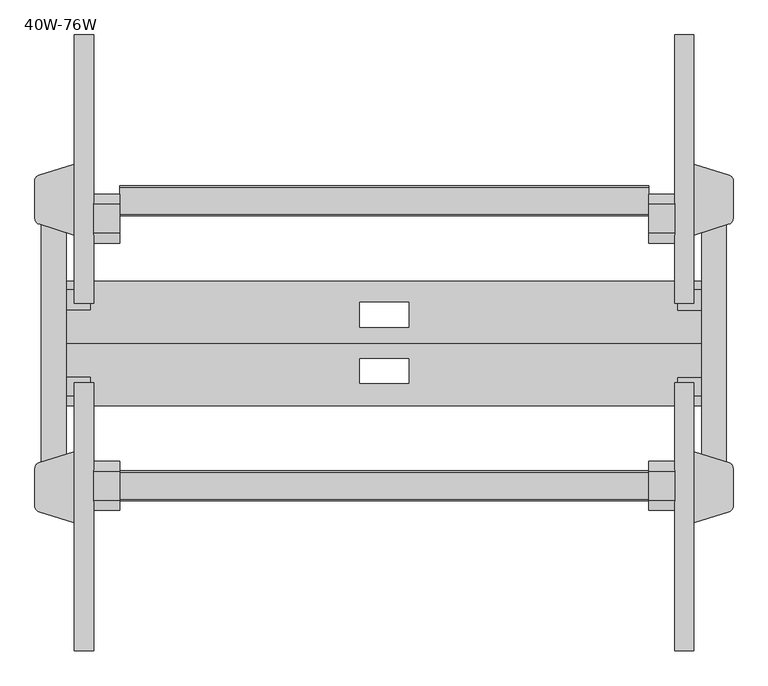
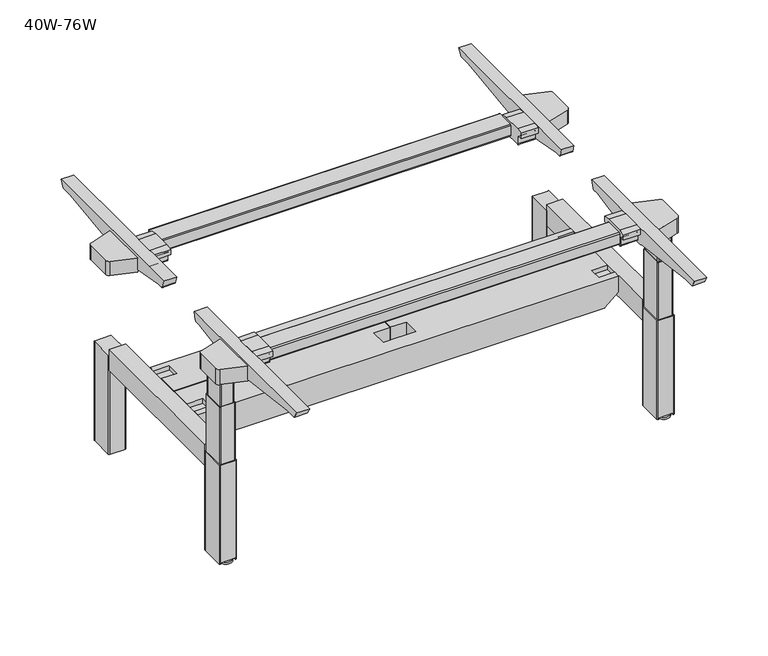
"""IFC4 building model written with IfcOpenShell, lengths in millimetres: furniture geometry, 40W-76W."""

from ifc_helpers import new_model, si_unit, point, frame, frame_2d, origin, origin_with_axes, place, context, project, spatial, polyline, circle_curve, trimmed, segment, composite_curve, outline, extrude, faceted_brep, source, transform, mapped, element, save
from ifc_brep_helpers import plane_surface, cylinder_surface, advanced_brep


def furniture_40w_76w_3b3c1435(model_context):
    return source(origin(), model_context, "Body", "SolidModel", [
        extrude(outline(composite_curve([segment(polyline([(-1035.3846632, 713.5171551), (-1049.9171212, 713.5171551)]), True, "CONTINUOUS"), segment(trimmed(circle_curve(frame_2d((-1049.9171212, 710.9436804)), 2.5734747), [point((-1049.9171212, 713.5171551))], [point((-1052.4905959, 710.9436804))], True, "CARTESIAN"), True, "CONTINUOUS"), segment(polyline([(-1052.4905959, 710.9436804), (-1052.4905959, 684.4605175)]), True, "CONTINUOUS"), segment(trimmed(circle_curve(frame_2d((-1057.5452725, 684.4605175)), 5.0546767), [point((-1052.4905959, 684.4605175))], [point((-1057.5452725, 679.4058409))], False, "CARTESIAN"), True, "CONTINUOUS"), segment(polyline([(-1057.5452725, 679.4058409), (-1126.3738616, 679.4058409)]), True, "CONTINUOUS"), segment(trimmed(circle_curve(frame_2d((-1126.3738616, 684.2898603)), 4.8840194), [point((-1126.3738616, 679.4058409))], [point((-1131.257881, 684.2898603))], False, "CARTESIAN"), True, "CONTINUOUS"), segment(polyline([(-1131.257881, 684.2898603), (-1131.257881, 710.1779551)]), True, "CONTINUOUS"), segment(trimmed(circle_curve(frame_2d((-1134.4068211, 710.1779551)), 3.1489401), [point((-1131.257881, 710.1779551))], [point((-1134.4068211, 713.3268952))], True, "CARTESIAN"), True, "CONTINUOUS"), segment(polyline([(-1134.4068211, 713.3268952), (-1148.7657722, 713.3268952), (-1148.7657722, 733.2799481), (-1125.1423758, 736.6), (-1058.4320212, 736.6), (-1035.3846632, 733.3609051), (-1035.3846632, 713.5171551)]), True, "CONTINUOUS")], self_intersect=False)), frame((1425.9160645, 0.0, 0.0), z_axis=(1.0, 0.0, 0.0), x_axis=(0.0, 1.0, 0.0)), (0.0, 0.0, 1.0), 59.9963379),
        extrude(outline(composite_curve([segment(polyline([(-1035.3846632, 713.5171551), (-1049.9171212, 713.5171551)]), True, "CONTINUOUS"), segment(trimmed(circle_curve(frame_2d((-1049.9171212, 710.9436804)), 2.5734747), [point((-1049.9171212, 713.5171551))], [point((-1052.4905959, 710.9436804))], True, "CARTESIAN"), True, "CONTINUOUS"), segment(polyline([(-1052.4905959, 710.9436804), (-1052.4905959, 684.4605175)]), True, "CONTINUOUS"), segment(trimmed(circle_curve(frame_2d((-1057.5452725, 684.4605175)), 5.0546767), [point((-1052.4905959, 684.4605175))], [point((-1057.5452725, 679.4058409))], False, "CARTESIAN"), True, "CONTINUOUS"), segment(polyline([(-1057.5452725, 679.4058409), (-1126.3738616, 679.4058409)]), True, "CONTINUOUS"), segment(trimmed(circle_curve(frame_2d((-1126.3738616, 684.2898603)), 4.8840194), [point((-1126.3738616, 679.4058409))], [point((-1131.257881, 684.2898603))], False, "CARTESIAN"), True, "CONTINUOUS"), segment(polyline([(-1131.257881, 684.2898603), (-1131.257881, 710.1779551)]), True, "CONTINUOUS"), segment(trimmed(circle_curve(frame_2d((-1134.4068211, 710.1779551)), 3.1489401), [point((-1131.257881, 710.1779551))], [point((-1134.4068211, 713.3268952))], True, "CARTESIAN"), True, "CONTINUOUS"), segment(polyline([(-1134.4068211, 713.3268952), (-1148.7657722, 713.3268952), (-1148.7657722, 733.2799481), (-1125.1423758, 736.6), (-1058.4320212, 736.6), (-1035.3846632, 733.3609051), (-1035.3846632, 713.5171551)]), True, "CONTINUOUS")], self_intersect=False)), frame((140.8224121, 0.0, 0.0), z_axis=(1.0, 0.0, 0.0), x_axis=(0.0, 1.0, 0.0)), (0.0, 0.0, 1.0), 59.4847412),
        extrude(outline(composite_curve([segment(polyline([(-1474.032802, 736.6), (-853.1729918, 736.6), (-861.1988917, 709.9209639)]), True, "CONTINUOUS"), segment(trimmed(circle_curve(frame_2d((-866.3572818, 711.4727712)), 5.3867517), [point((-861.1988917, 709.9209639))], [point((-866.3572818, 706.0860195))], False, "CARTESIAN"), True, "CONTINUOUS"), segment(polyline([(-866.3572818, 706.0860195), (-885.1150008, 706.0860195), (-1037.8717935, 678.1707903), (-1041.9330724, 675.3270521), (-1147.7156054, 675.3270521), (-1152.030531, 678.3483956), (-1417.6765176, 712.4942039), (-1460.2345006, 712.4942039), (-1474.032802, 736.6)]), True, "CONTINUOUS")], self_intersect=False)), frame((1485.9124023, 0.0, 0.0), z_axis=(1.0, 0.0, 0.0), x_axis=(0.0, 1.0, 0.0)), (0.0, 0.0, 1.0), 43.8949951),
        extrude(outline(composite_curve([segment(polyline([(-1474.032802, 736.6), (-853.1729918, 736.6), (-861.1988917, 709.9209639)]), True, "CONTINUOUS"), segment(trimmed(circle_curve(frame_2d((-866.3572818, 711.4727712)), 5.3867517), [point((-861.1988917, 709.9209639))], [point((-866.3572818, 706.0860195))], False, "CARTESIAN"), True, "CONTINUOUS"), segment(polyline([(-866.3572818, 706.0860195), (-885.1150008, 706.0860195), (-1037.8717935, 678.1707903), (-1041.9330724, 675.3270521), (-1147.7156054, 675.3270521), (-1152.030531, 678.3483956), (-1417.6765176, 712.4942039), (-1460.2345006, 712.4942039), (-1474.032802, 736.6)]), True, "CONTINUOUS")], self_intersect=False)), frame((95.7926025, 0.0, 0.0), z_axis=(1.0, 0.0, 0.0), x_axis=(0.0, 1.0, 0.0)), (0.0, 0.0, 1.0), 45.0298096),
        extrude(outline(composite_curve([segment(polyline([(-530.2483559, 713.5171551), (-530.2483559, 733.3609051), (-507.4669954, 736.5626165), (-440.2246459, 736.5626165), (-416.8672469, 733.2799481), (-416.8672469, 713.3268952), (-431.2261981, 713.3268952)]), True, "CONTINUOUS"), segment(trimmed(circle_curve(frame_2d((-431.2261981, 710.1779551)), 3.1489401), [point((-431.2261981, 713.3268952))], [point((-434.3751381, 710.1779551))], True, "CARTESIAN"), True, "CONTINUOUS"), segment(polyline([(-434.3751381, 710.1779551), (-434.3751381, 684.2898603)]), True, "CONTINUOUS"), segment(trimmed(circle_curve(frame_2d((-439.2591576, 684.2898603)), 4.8840194), [point((-434.3751381, 684.2898603))], [point((-439.2591576, 679.4058409))], False, "CARTESIAN"), True, "CONTINUOUS"), segment(polyline([(-439.2591576, 679.4058409), (-508.0877466, 679.4058409)]), True, "CONTINUOUS"), segment(trimmed(circle_curve(frame_2d((-508.0877466, 684.4605175)), 5.0546767), [point((-508.0877466, 679.4058409))], [point((-513.1424233, 684.4605175))], False, "CARTESIAN"), True, "CONTINUOUS"), segment(polyline([(-513.1424233, 684.4605175), (-513.1424233, 710.9436804)]), True, "CONTINUOUS"), segment(trimmed(circle_curve(frame_2d((-515.7158979, 710.9436804)), 2.5734747), [point((-513.1424233, 710.9436804))], [point((-515.7158979, 713.5171551))], True, "CARTESIAN"), True, "CONTINUOUS"), segment(polyline([(-515.7158979, 713.5171551), (-530.2483559, 713.5171551)]), True, "CONTINUOUS")], self_intersect=False)), frame((1425.9160645, 0.0, 0.0), z_axis=(1.0, 0.0, 0.0), x_axis=(0.0, 1.0, 0.0)), (0.0, 0.0, 1.0), 59.9963379),
        extrude(outline(composite_curve([segment(polyline([(-47.59531, 736.6), (-61.3936114, 712.4942039), (-103.9515944, 712.4942039), (-369.597581, 678.3483956), (-373.9125066, 675.3270521), (-479.6950396, 675.3270521), (-483.7563185, 678.1707903), (-636.8228784, 706.0860195), (-655.5805974, 706.0860195)]), True, "CONTINUOUS"), segment(trimmed(circle_curve(frame_2d((-655.5805974, 711.4727712)), 5.3867517), [point((-655.5805974, 706.0860195))], [point((-660.7389875, 709.9209639))], False, "CARTESIAN"), True, "CONTINUOUS"), segment(polyline([(-660.7389875, 709.9209639), (-668.7648874, 736.6), (-47.59531, 736.6)]), True, "CONTINUOUS")], self_intersect=False)), frame((1485.9124023, 0.0, 0.0), z_axis=(1.0, 0.0, 0.0), x_axis=(0.0, 1.0, 0.0)), (0.0, 0.0, 1.0), 43.8949951),
        extrude(outline(composite_curve([segment(polyline([(-530.2483559, 713.5171551), (-530.2483559, 733.3609051), (-507.4669954, 736.5626165), (-440.2246459, 736.5626165), (-416.8672469, 733.2799481), (-416.8672469, 713.3268952), (-431.2261981, 713.3268952)]), True, "CONTINUOUS"), segment(trimmed(circle_curve(frame_2d((-431.2261981, 710.1779551)), 3.1489401), [point((-431.2261981, 713.3268952))], [point((-434.3751381, 710.1779551))], True, "CARTESIAN"), True, "CONTINUOUS"), segment(polyline([(-434.3751381, 710.1779551), (-434.3751381, 684.2898603)]), True, "CONTINUOUS"), segment(trimmed(circle_curve(frame_2d((-439.2591576, 684.2898603)), 4.8840194), [point((-434.3751381, 684.2898603))], [point((-439.2591576, 679.4058409))], False, "CARTESIAN"), True, "CONTINUOUS"), segment(polyline([(-439.2591576, 679.4058409), (-508.0877466, 679.4058409)]), True, "CONTINUOUS"), segment(trimmed(circle_curve(frame_2d((-508.0877466, 684.4605175)), 5.0546767), [point((-508.0877466, 679.4058409))], [point((-513.1424233, 684.4605175))], False, "CARTESIAN"), True, "CONTINUOUS"), segment(polyline([(-513.1424233, 684.4605175), (-513.1424233, 710.9436804)]), True, "CONTINUOUS"), segment(trimmed(circle_curve(frame_2d((-515.7158979, 710.9436804)), 2.5734747), [point((-513.1424233, 710.9436804))], [point((-515.7158979, 713.5171551))], True, "CARTESIAN"), True, "CONTINUOUS"), segment(polyline([(-515.7158979, 713.5171551), (-530.2483559, 713.5171551)]), True, "CONTINUOUS")], self_intersect=False)), frame((140.8224121, 0.0, 0.0), z_axis=(1.0, 0.0, 0.0), x_axis=(0.0, 1.0, 0.0)), (0.0, 0.0, 1.0), 59.4847412),
        extrude(outline(composite_curve([segment(polyline([(-47.59531, 736.6), (-61.3936114, 712.4942039), (-103.9515944, 712.4942039), (-369.597581, 678.3483956), (-373.9125066, 675.3270521), (-479.6950396, 675.3270521), (-483.7563185, 678.1707903), (-636.8228784, 706.0860195), (-655.5805974, 706.0860195)]), True, "CONTINUOUS"), segment(trimmed(circle_curve(frame_2d((-655.5805974, 711.4727712)), 5.3867517), [point((-655.5805974, 706.0860195))], [point((-660.7389875, 709.9209639))], False, "CARTESIAN"), True, "CONTINUOUS"), segment(polyline([(-660.7389875, 709.9209639), (-668.7648874, 736.6), (-47.59531, 736.6)]), True, "CONTINUOUS")], self_intersect=False)), frame((95.7926025, 0.0, 0.0), z_axis=(1.0, 0.0, 0.0), x_axis=(0.0, 1.0, 0.0)), (0.0, 0.0, 1.0), 45.0298096),
        extrude(outline(composite_curve([segment(polyline([(-462.7006552, 727.3860275), (-401.2102385, 727.3860275)]), True, "CONTINUOUS"), segment(trimmed(circle_curve(frame_2d((-401.2102385, 723.1610599)), 4.2249677), [point((-401.2102385, 727.3860275))], [point((-396.9852708, 723.1610599))], False, "CARTESIAN"), True, "CONTINUOUS"), segment(polyline([(-396.9852708, 723.1610599), (-396.9852708, 687.704097)]), True, "CONTINUOUS"), segment(trimmed(circle_curve(frame_2d((-401.3032708, 687.704097)), 4.318), [point((-396.9852708, 687.704097))], [point((-401.3032708, 683.386097))], False, "CARTESIAN"), True, "CONTINUOUS"), segment(polyline([(-401.3032708, 683.386097), (-462.6676493, 683.386097)]), True, "CONTINUOUS"), segment(trimmed(circle_curve(frame_2d((-462.6676493, 687.704097)), 4.318), [point((-462.6676493, 683.386097))], [point((-466.9856493, 687.704097))], False, "CARTESIAN"), True, "CONTINUOUS"), segment(polyline([(-466.9856493, 687.704097), (-466.9856493, 723.1010335)]), True, "CONTINUOUS"), segment(trimmed(circle_curve(frame_2d((-462.7006552, 723.1010335)), 4.284994), [point((-466.9856493, 723.1010335))], [point((-462.7006552, 727.3860275))], False, "CARTESIAN"), True, "CONTINUOUS")], self_intersect=False)), frame((200.3071533, 0.0, 0.0), z_axis=(1.0, 0.0, 0.0), x_axis=(0.0, 1.0, 0.0)), (0.0, 0.0, 1.0), 1225.6089111),
        extrude(outline(composite_curve([segment(trimmed(circle_curve(frame_2d((47.804834, -1127.8053786)), 21.5292959), [point((26.275538, -1127.8053786))], [point((69.3341299, -1127.8053786))], False, "CARTESIAN"), True, "CONTINUOUS"), segment(trimmed(circle_curve(frame_2d((47.804834, -1127.8053786)), 21.5292959), [point((69.3341299, -1127.8053786))], [point((26.275538, -1127.8053786))], False, "CARTESIAN"), True, "CONTINUOUS")], self_intersect=False)), origin_with_axes(), (0.0, 0.0, 1.0), 7.1278597),
        extrude(outline(composite_curve([segment(trimmed(circle_curve(frame_2d((47.804834, -394.3292189)), 21.0370509), [point((26.7677831, -394.3292189))], [point((68.8418849, -394.3292189))], False, "CARTESIAN"), True, "CONTINUOUS"), segment(trimmed(circle_curve(frame_2d((47.804834, -394.3292189)), 21.0370509), [point((68.8418849, -394.3292189))], [point((26.7677831, -394.3292189))], False, "CARTESIAN"), True, "CONTINUOUS")], self_intersect=False)), origin_with_axes(), (0.0, 0.0, 1.0), 7.1278597),
        extrude(outline(composite_curve([segment(trimmed(circle_curve(frame_2d((1578.409082, -394.3292189)), 21.59), [point((1556.819082, -394.3292189))], [point((1599.999082, -394.3292189))], False, "CARTESIAN"), True, "CONTINUOUS"), segment(trimmed(circle_curve(frame_2d((1578.409082, -394.3292189)), 21.59), [point((1599.999082, -394.3292189))], [point((1556.819082, -394.3292189))], False, "CARTESIAN"), True, "CONTINUOUS")], self_intersect=False)), origin_with_axes(), (0.0, 0.0, 1.0), 7.1278597),
        extrude(outline(composite_curve([segment(trimmed(circle_curve(frame_2d((1578.409082, -1127.8053786)), 21.5313416), [point((1556.8777404, -1127.8053786))], [point((1599.9404236, -1127.8053786))], False, "CARTESIAN"), True, "CONTINUOUS"), segment(trimmed(circle_curve(frame_2d((1578.409082, -1127.8053786)), 21.5313416), [point((1599.9404236, -1127.8053786))], [point((1556.8777404, -1127.8053786))], False, "CARTESIAN"), True, "CONTINUOUS")], self_intersect=False)), origin_with_axes(), (0.0, 0.0, 1.0), 7.1278597),
        extrude(outline(composite_curve([segment(polyline([(1529.8073975, -1177.3885431), (1529.8073975, -1012.7238864), (1612.0244546, -1038.497732)]), True, "CONTINUOUS"), segment(trimmed(circle_curve(frame_2d((1608.0733237, -1051.1016081)), 13.2086763), [point((1612.0244546, -1038.497732))], [point((1621.282, -1051.1016081))], False, "CARTESIAN"), True, "CONTINUOUS"), segment(polyline([(1621.282, -1051.1016081), (1621.282, -1139.3844441)]), True, "CONTINUOUS"), segment(trimmed(circle_curve(frame_2d((1608.582, -1139.3844441)), 12.7), [point((1621.282, -1139.3844441))], [point((1612.3809698, -1151.5029352))], False, "CARTESIAN"), True, "CONTINUOUS"), segment(polyline([(1612.3809698, -1151.5029352), (1529.8073975, -1177.3885431)]), True, "CONTINUOUS")], self_intersect=False)), frame((0.0, 0.0, 675.3270521), z_axis=(0.0, 0.0, 1.0), x_axis=(1.0, 0.0, 0.0)), (0.0, 0.0, 1.0), 56.7116419),
        extrude(outline(composite_curve([segment(polyline([(95.7926025, -1177.3885431), (13.2190302, -1151.5029352)]), True, "CONTINUOUS"), segment(trimmed(circle_curve(frame_2d((17.018, -1139.3844441)), 12.7), [point((13.2190302, -1151.5029352))], [point((4.318, -1139.3844441))], False, "CARTESIAN"), True, "CONTINUOUS"), segment(polyline([(4.318, -1139.3844441), (4.318, -1051.1016081)]), True, "CONTINUOUS"), segment(trimmed(circle_curve(frame_2d((17.5266763, -1051.1016081)), 13.2086763), [point((4.318, -1051.1016081))], [point((13.5755454, -1038.497732))], False, "CARTESIAN"), True, "CONTINUOUS"), segment(polyline([(13.5755454, -1038.497732), (95.7926025, -1012.7238864), (95.7926025, -1177.3885431)]), True, "CONTINUOUS")], self_intersect=False)), frame((0.0, 0.0, 675.3270521), z_axis=(0.0, 0.0, 1.0), x_axis=(1.0, 0.0, 0.0)), (0.0, 0.0, 1.0), 56.7116419),
        extrude(outline(composite_curve([segment(polyline([(95.7926025, -346.6114569), (95.7926025, -511.2761136), (13.5755454, -485.502268)]), True, "CONTINUOUS"), segment(trimmed(circle_curve(frame_2d((17.5266763, -472.8983919)), 13.2086763), [point((13.5755454, -485.502268))], [point((4.318, -472.8983919))], False, "CARTESIAN"), True, "CONTINUOUS"), segment(polyline([(4.318, -472.8983919), (4.318, -384.6155559)]), True, "CONTINUOUS"), segment(trimmed(circle_curve(frame_2d((17.018, -384.6155559)), 12.7), [point((4.318, -384.6155559))], [point((13.2190302, -372.4970648))], False, "CARTESIAN"), True, "CONTINUOUS"), segment(polyline([(13.2190302, -372.4970648), (95.7926025, -346.6114569)]), True, "CONTINUOUS")], self_intersect=False)), frame((0.0, 0.0, 675.3270521), z_axis=(0.0, 0.0, 1.0), x_axis=(1.0, 0.0, 0.0)), (0.0, 0.0, 1.0), 52.0589754),
        extrude(outline(composite_curve([segment(polyline([(1529.8073975, -346.6114569), (1612.3809698, -372.4970648)]), True, "CONTINUOUS"), segment(trimmed(circle_curve(frame_2d((1608.582, -384.6155559)), 12.7), [point((1612.3809698, -372.4970648))], [point((1621.282, -384.6155559))], False, "CARTESIAN"), True, "CONTINUOUS"), segment(polyline([(1621.282, -384.6155559), (1621.282, -472.8983919)]), True, "CONTINUOUS"), segment(trimmed(circle_curve(frame_2d((1608.0733237, -472.8983919)), 13.2086763), [point((1621.282, -472.8983919))], [point((1612.0244546, -485.502268))], False, "CARTESIAN"), True, "CONTINUOUS"), segment(polyline([(1612.0244546, -485.502268), (1529.8073975, -511.2761136), (1529.8073975, -346.6114569)]), True, "CONTINUOUS")], self_intersect=False)), frame((0.0, 0.0, 675.3270521), z_axis=(0.0, 0.0, 1.0), x_axis=(1.0, 0.0, 0.0)), (0.0, 0.0, 1.0), 52.0589754),
        extrude(outline(composite_curve([segment(trimmed(circle_curve(frame_2d((-1061.2993448, 723.1010335)), 4.284994), [point((-1061.2993448, 727.3860275))], [point((-1057.0143507, 723.1010335))], False, "CARTESIAN"), True, "CONTINUOUS"), segment(polyline([(-1057.0143507, 723.1010335), (-1057.0143507, 687.704097)]), True, "CONTINUOUS"), segment(trimmed(circle_curve(frame_2d((-1061.3323507, 687.704097)), 4.318), [point((-1057.0143507, 687.704097))], [point((-1061.3323507, 683.386097))], False, "CARTESIAN"), True, "CONTINUOUS"), segment(polyline([(-1061.3323507, 683.386097), (-1122.6967292, 683.386097)]), True, "CONTINUOUS"), segment(trimmed(circle_curve(frame_2d((-1122.6967292, 687.704097)), 4.318), [point((-1122.6967292, 683.386097))], [point((-1127.0147292, 687.704097))], False, "CARTESIAN"), True, "CONTINUOUS"), segment(polyline([(-1127.0147292, 687.704097), (-1127.0147292, 723.1610599)]), True, "CONTINUOUS"), segment(trimmed(circle_curve(frame_2d((-1122.7897615, 723.1610599)), 4.2249677), [point((-1127.0147292, 723.1610599))], [point((-1122.7897615, 727.3860275))], False, "CARTESIAN"), True, "CONTINUOUS"), segment(polyline([(-1122.7897615, 727.3860275), (-1061.2993448, 727.3860275)]), True, "CONTINUOUS")], self_intersect=False)), frame((200.3071533, 0.0, 0.0), z_axis=(1.0, 0.0, 0.0), x_axis=(0.0, 1.0, 0.0)), (0.0, 0.0, 1.0), 1225.6089111),
        advanced_brep(
        [(1550.7984883, -1051.8557027, 368.3), (1547.7504883, -1054.9037027, 368.3), (1547.7504883, -1138.9213759, 368.3), (1550.7769904, -1141.947878, 368.3), (1604.7732402, -1141.947878, 368.3), (1607.8212402, -1138.899878, 368.3), (1607.8212402, -1054.8677288, 368.3), (1604.8092141, -1051.8557027, 368.3), (1550.7984883, -1051.8557027, 2.5761025), (1604.8092141, -1051.8557027, 2.5761025), (1607.8212402, -1054.8677288, 2.5761025), (1607.8212402, -1138.899878, 2.5761025), (1604.7732402, -1141.947878, 2.5761025), (1602.3983154, -1141.947878, 2.5761025), (1602.3983154, -1056.9352858, 2.5761025), (1553.1920166, -1056.9352858, 2.5761025), (1553.1920166, -1141.947878, 2.5761025), (1550.7769904, -1141.947878, 2.5761025), (1547.7504883, -1138.9213759, 2.5761025), (1547.7504883, -1054.9037027, 2.5761025), (1553.1920166, -1141.947878, 8.036767), (1602.3983154, -1141.947878, 8.036767), (1547.7504883, -1054.9037027, 332.6710442), (1547.7504883, -1054.9037027, 289.3448519), (1602.3983154, -1056.9352858, 8.036767), (1553.1920166, -1056.9352858, 8.036767)],
        [
            (0, 1, circle_curve(frame((1550.7984883, -1054.9037027, 368.3), z_axis=(0.0, 0.0, 1.0), x_axis=(-1.0, 0.0, 0.0)), 3.048)),
            (1, 2),
            (2, 3, circle_curve(frame((1550.7769904, -1138.9213759, 368.3), z_axis=(0.0, 0.0, 1.0), x_axis=(-1.0, 0.0, 0.0)), 3.0265021)),
            (3, 4),
            (4, 5, circle_curve(frame((1604.7732402, -1138.899878, 368.3), z_axis=(0.0, 0.0, 1.0), x_axis=(-1.0, 0.0, 0.0)), 3.048)),
            (5, 6),
            (6, 7, circle_curve(frame((1604.8092141, -1054.8677288, 368.3), z_axis=(0.0, 0.0, 1.0), x_axis=(-1.0, 0.0, 0.0)), 3.0120261)),
            (7, 0),
            (8, 9),
            (9, 10, circle_curve(frame((1604.8092141, -1054.8677288, 2.5761025), z_axis=(0.0, 0.0, -1.0), x_axis=(-1.0, 0.0, 0.0)), 3.0120261)),
            (10, 11),
            (11, 12, circle_curve(frame((1604.7732402, -1138.899878, 2.5761025), z_axis=(0.0, 0.0, -1.0), x_axis=(-1.0, 0.0, 0.0)), 3.048)),
            (12, 13),
            (13, 14),
            (14, 15),
            (15, 16),
            (16, 17),
            (17, 18, circle_curve(frame((1550.7769904, -1138.9213759, 2.5761025), z_axis=(0.0, 0.0, -1.0), x_axis=(-1.0, 0.0, 0.0)), 3.0265021)),
            (18, 19),
            (19, 8, circle_curve(frame((1550.7984883, -1054.9037027, 2.5761025), z_axis=(0.0, 0.0, -1.0), x_axis=(-1.0, 0.0, 0.0)), 3.048)),
            (7, 9),
            (8, 0),
            (6, 10),
            (5, 11),
            (4, 12),
            (3, 17),
            (16, 20),
            (20, 21),
            (21, 13),
            (2, 18),
            (1, 22),
            (22, 23),
            (23, 19),
            (24, 25),
            (25, 15),
            (14, 24),
            (24, 21),
            (20, 25),
        ],
        [
            plane_surface(frame((1547.7504883, -1054.9037027, 368.3), z_axis=(0.0, 0.0, 1.0), x_axis=(0.0, -1.0, 0.0))),
            plane_surface(frame((1547.7504883, -1054.9037027, 2.5761025), z_axis=(0.0, 0.0, -1.0), x_axis=(0.0, 1.0, 0.0))),
            plane_surface(frame((1604.8092141, -1051.8557027, 368.3), z_axis=(-1.3107107420887972e-12, 1.0, 0.0), x_axis=(0.0, 0.0, -1.0))),
            cylinder_surface(frame((1604.8092141, -1054.8677288, 2.5761025), z_axis=(0.0, 0.0, 1.0), x_axis=(-1.0, 0.0, 0.0)), 3.0120261),
            plane_surface(frame((1607.8212402, -1138.899878, 368.3), z_axis=(1.0, 1.2950775093263303e-12, 0.0), x_axis=(0.0, 0.0, -1.0))),
            cylinder_surface(frame((1604.7732402, -1138.899878, 2.5761025), z_axis=(0.0, 0.0, 1.0), x_axis=(-1.0, 0.0, 0.0)), 3.048),
            plane_surface(frame((1550.7769904, -1141.947878, 368.3), z_axis=(0.0, -1.0, 0.0), x_axis=(0.0, 0.0, -1.0))),
            cylinder_surface(frame((1550.7769904, -1138.9213759, 2.5761025), z_axis=(0.0, 0.0, 1.0), x_axis=(-1.0, 0.0, 0.0)), 3.0265021),
            plane_surface(frame((1547.7504883, -1054.9037027, 368.3), z_axis=(-1.0, 0.0, 0.0), x_axis=(0.0, 0.0, -1.0))),
            cylinder_surface(frame((1550.7984883, -1054.9037027, 2.5761025), z_axis=(0.0, 0.0, 1.0), x_axis=(-1.0, 0.0, 0.0)), 3.048),
            plane_surface(frame((24.1225586, -1056.9352858, 8.036767), z_axis=(0.0, -1.0, 0.0), x_axis=(1.0, 0.0, 0.0))),
            plane_surface(frame((1602.3983154, -1372.9913588, 8.036767), z_axis=(0.0, 0.0, -1.0), x_axis=(0.0, 1.0, 0.0))),
            plane_surface(frame((1553.1920166, -1372.9913588, 8.036767), z_axis=(1.0, 0.0, 0.0), x_axis=(0.0, 1.0, 0.0))),
            plane_surface(frame((1602.3983154, -1372.9913588, 0.0), z_axis=(-1.0, 0.0, 0.0), x_axis=(0.0, 1.0, 0.0))),
        ],
        [
            (0, [[1, 2, 3, 4, 5, 6, 7, 8]]),
            (1, [[9, 10, 11, 12, 13, 14, 15, 16, 17, 18, 19, 20]]),
            (2, [[-8, 21, -9, 22]]),
            (3, [[-7, 23, -10, -21]]),
            (4, [[-6, 24, -11, -23]]),
            (5, [[-5, 25, -12, -24]]),
            (6, [[-4, 26, -17, 27, 28, 29, -13, -25]]),
            (7, [[-3, 30, -18, -26]]),
            (8, [[-2, 31, 32, 33, -19, -30]]),
            (9, [[-1, -22, -20, -33, -32, -31]]),
            (10, [[34, 35, -15, 36]]),
            (11, [[-34, 37, -28, 38]]),
            (12, [[-35, -38, -27, -16]]),
            (13, [[-36, -14, -29, -37]]),
        ],
    ),
        advanced_brep(
        [(74.8015117, -1051.8557027, 368.3), (20.7907859, -1051.8557027, 368.3), (17.7787598, -1054.8677288, 368.3), (17.7787598, -1138.899878, 368.3), (20.8267598, -1141.947878, 368.3), (74.8230096, -1141.947878, 368.3), (77.8495117, -1138.9213759, 368.3), (77.8495117, -1054.9037027, 368.3), (74.8015117, -1051.8557027, 2.5761025), (77.8495117, -1054.9037027, 2.5761025), (77.8495117, -1138.9213759, 2.5761025), (74.8230096, -1141.947878, 2.5761025), (72.4079834, -1141.947878, 2.5761025), (72.4079834, -1056.9352858, 2.5761025), (23.2016846, -1056.9352858, 2.5761025), (23.2016846, -1141.947878, 2.5761025), (20.8267598, -1141.947878, 2.5761025), (17.7787598, -1138.899878, 2.5761025), (17.7787598, -1054.8677288, 2.5761025), (20.7907859, -1051.8557027, 2.5761025), (72.4079834, -1056.9352858, 8.036767), (23.2016846, -1056.9352858, 8.036767), (72.4079834, -1141.947878, 8.036767), (23.2016846, -1141.947878, 8.036767), (77.8495117, -1054.9037027, 289.3448519), (77.8495117, -1054.9037027, 332.6710442)],
        [
            (0, 1),
            (1, 2, circle_curve(frame((20.7907859, -1054.8677288, 368.3), z_axis=(0.0, 0.0, 1.0), x_axis=(-1.0, 0.0, 0.0)), 3.0120261)),
            (2, 3),
            (3, 4, circle_curve(frame((20.8267598, -1138.899878, 368.3), z_axis=(0.0, 0.0, 1.0), x_axis=(-1.0, 0.0, 0.0)), 3.048)),
            (4, 5),
            (5, 6, circle_curve(frame((74.8230096, -1138.9213759, 368.3), z_axis=(0.0, 0.0, 1.0), x_axis=(-1.0, 0.0, 0.0)), 3.0265021)),
            (6, 7),
            (7, 0, circle_curve(frame((74.8015117, -1054.9037027, 368.3), z_axis=(0.0, 0.0, 1.0), x_axis=(-1.0, 0.0, 0.0)), 3.048)),
            (8, 9, circle_curve(frame((74.8015117, -1054.9037027, 2.5761025), z_axis=(0.0, 0.0, -1.0), x_axis=(-1.0, 0.0, 0.0)), 3.048)),
            (9, 10),
            (10, 11, circle_curve(frame((74.8230096, -1138.9213759, 2.5761025), z_axis=(0.0, 0.0, -1.0), x_axis=(-1.0, 0.0, 0.0)), 3.0265021)),
            (11, 12),
            (12, 13),
            (13, 14),
            (14, 15),
            (15, 16),
            (16, 17, circle_curve(frame((20.8267598, -1138.899878, 2.5761025), z_axis=(0.0, 0.0, -1.0), x_axis=(-1.0, 0.0, 0.0)), 3.048)),
            (17, 18),
            (18, 19, circle_curve(frame((20.7907859, -1054.8677288, 2.5761025), z_axis=(0.0, 0.0, -1.0), x_axis=(-1.0, 0.0, 0.0)), 3.0120261)),
            (19, 8),
            (20, 21),
            (21, 14),
            (13, 20),
            (20, 22),
            (22, 23),
            (23, 21),
            (23, 15),
            (12, 22),
            (0, 8),
            (19, 1),
            (18, 2),
            (17, 3),
            (16, 4),
            (11, 5),
            (10, 6),
            (9, 24),
            (24, 25),
            (25, 7),
        ],
        [
            plane_surface(frame((1547.7504883, -1054.9037027, 368.3), z_axis=(0.0, 0.0, 1.0), x_axis=(0.0, -1.0, 0.0))),
            plane_surface(frame((1547.7504883, -1054.9037027, 2.5761025), z_axis=(0.0, 0.0, -1.0), x_axis=(0.0, 1.0, 0.0))),
            plane_surface(frame((24.1225586, -1056.9352858, 8.036767), z_axis=(0.0, -1.0, 0.0), x_axis=(1.0, 0.0, 0.0))),
            plane_surface(frame((72.4079834, -1372.9913588, 8.036767), z_axis=(0.0, 0.0, -1.0), x_axis=(0.0, 1.0, 0.0))),
            plane_surface(frame((23.2016846, -1372.9913588, 8.036767), z_axis=(1.0, 0.0, 0.0), x_axis=(0.0, 1.0, 0.0))),
            plane_surface(frame((72.4079834, -1372.9913588, 0.0), z_axis=(-1.0, 0.0, 0.0), x_axis=(0.0, 1.0, 0.0))),
            plane_surface(frame((74.8015117, -1051.8557027, 368.3), z_axis=(0.0, 1.0, 0.0), x_axis=(0.0, 0.0, -1.0))),
            cylinder_surface(frame((20.7907859, -1054.8677288, 0.0), z_axis=(0.0, 0.0, 1.0), x_axis=(-1.0, 0.0, 0.0)), 3.0120261),
            plane_surface(frame((17.7787598, -1054.8677288, 368.3), z_axis=(-1.0, 0.0, 0.0), x_axis=(0.0, 0.0, -1.0))),
            cylinder_surface(frame((20.8267598, -1138.899878, 0.0), z_axis=(0.0, 0.0, 1.0), x_axis=(-1.0, 0.0, 0.0)), 3.048),
            plane_surface(frame((20.8267598, -1141.947878, 368.3), z_axis=(0.0, -1.0, 0.0), x_axis=(0.0, 0.0, -1.0))),
            cylinder_surface(frame((74.8230096, -1138.9213759, 0.0), z_axis=(0.0, 0.0, 1.0), x_axis=(-1.0, 0.0, 0.0)), 3.0265021),
            plane_surface(frame((77.8495117, -1138.9213759, 368.3), z_axis=(1.0, 0.0, 0.0), x_axis=(0.0, 0.0, -1.0))),
            cylinder_surface(frame((74.8015117, -1054.9037027, 0.0), z_axis=(0.0, 0.0, 1.0), x_axis=(-1.0, 0.0, 0.0)), 3.048),
        ],
        [
            (0, [[1, 2, 3, 4, 5, 6, 7, 8]]),
            (1, [[9, 10, 11, 12, 13, 14, 15, 16, 17, 18, 19, 20]]),
            (2, [[21, 22, -14, 23]]),
            (3, [[-21, 24, 25, 26]]),
            (4, [[-22, -26, 27, -15]]),
            (5, [[-23, -13, 28, -24]]),
            (6, [[-1, 29, -20, 30]]),
            (7, [[-2, -30, -19, 31]]),
            (8, [[-3, -31, -18, 32]]),
            (9, [[-4, -32, -17, 33]]),
            (10, [[-5, -33, -16, -27, -25, -28, -12, 34]]),
            (11, [[-6, -34, -11, 35]]),
            (12, [[-7, -35, -10, 36, 37, 38]]),
            (13, [[-8, -38, -37, -36, -9, -29]]),
        ],
    ),
        advanced_brep(
        [(74.8015117, -472.1442973, 368.3), (77.8495117, -469.0962973, 368.3), (77.8495117, -385.0786241, 368.3), (74.8230096, -382.052122, 368.3), (20.8267598, -382.052122, 368.3), (17.7787598, -385.100122, 368.3), (17.7787598, -469.1322712, 368.3), (20.7907859, -472.1442973, 368.3), (74.8015117, -472.1442973, 2.5761025), (20.7907859, -472.1442973, 2.5761025), (17.7787598, -469.1322712, 2.5761025), (17.7787598, -385.100122, 2.5761025), (20.8267598, -382.052122, 2.5761025), (23.2016846, -382.052122, 2.5761025), (23.2016846, -467.0647142, 2.5761025), (72.4079834, -467.0647142, 2.5761025), (72.4079834, -382.052122, 2.5761025), (74.8230096, -382.052122, 2.5761025), (77.8495117, -385.0786241, 2.5761025), (77.8495117, -469.0962973, 2.5761025), (77.8495117, -469.0962973, 289.3448519), (77.8495117, -469.0962973, 332.6710442), (72.4079834, -382.052122, 8.036767), (23.2016846, -382.052122, 8.036767), (23.2016846, -467.0647142, 8.036767), (72.4079834, -467.0647142, 8.036767)],
        [
            (0, 1, circle_curve(frame((74.8015117, -469.0962973, 368.3), z_axis=(0.0, 0.0, 1.0), x_axis=(1.0, 0.0, 0.0)), 3.048)),
            (1, 2),
            (2, 3, circle_curve(frame((74.8230096, -385.0786241, 368.3), z_axis=(0.0, 0.0, 1.0), x_axis=(1.0, 0.0, 0.0)), 3.0265021)),
            (3, 4),
            (4, 5, circle_curve(frame((20.8267598, -385.100122, 368.3), z_axis=(0.0, 0.0, 1.0), x_axis=(1.0, 0.0, 0.0)), 3.048)),
            (5, 6),
            (6, 7, circle_curve(frame((20.7907859, -469.1322712, 368.3), z_axis=(0.0, 0.0, 1.0), x_axis=(1.0, 0.0, 0.0)), 3.0120261)),
            (7, 0),
            (8, 9),
            (9, 10, circle_curve(frame((20.7907859, -469.1322712, 2.5761025), z_axis=(0.0, 0.0, -1.0), x_axis=(1.0, 0.0, 0.0)), 3.0120261)),
            (10, 11),
            (11, 12, circle_curve(frame((20.8267598, -385.100122, 2.5761025), z_axis=(0.0, 0.0, -1.0), x_axis=(1.0, 0.0, 0.0)), 3.048)),
            (12, 13),
            (13, 14),
            (14, 15),
            (15, 16),
            (16, 17),
            (17, 18, circle_curve(frame((74.8230096, -385.0786241, 2.5761025), z_axis=(0.0, 0.0, -1.0), x_axis=(1.0, 0.0, 0.0)), 3.0265021)),
            (18, 19),
            (19, 8, circle_curve(frame((74.8015117, -469.0962973, 2.5761025), z_axis=(0.0, 0.0, -1.0), x_axis=(1.0, 0.0, 0.0)), 3.048)),
            (0, 8),
            (19, 20),
            (20, 21),
            (21, 1),
            (18, 2),
            (17, 3),
            (16, 22),
            (22, 23),
            (23, 13),
            (12, 4),
            (11, 5),
            (10, 6),
            (9, 7),
            (24, 25),
            (25, 15),
            (14, 24),
            (24, 23),
            (22, 25),
        ],
        [
            plane_surface(frame((77.8495117, -469.0962973, 368.3), z_axis=(0.0, 0.0, 1.0), x_axis=(0.0, 1.0, 0.0))),
            plane_surface(frame((77.8495117, -469.0962973, 2.5761025), z_axis=(0.0, 0.0, -1.0), x_axis=(0.0, -1.0, 0.0))),
            cylinder_surface(frame((74.8015117, -469.0962973, 2.5761025), z_axis=(0.0, 0.0, 1.0), x_axis=(1.0, 0.0, 0.0)), 3.048),
            plane_surface(frame((77.8495117, -469.0962973, 368.3), z_axis=(1.0, 0.0, 0.0), x_axis=(0.0, 0.0, -1.0))),
            cylinder_surface(frame((74.8230096, -385.0786241, 2.5761025), z_axis=(0.0, 0.0, 1.0), x_axis=(1.0, 0.0, 0.0)), 3.0265021),
            plane_surface(frame((74.8230096, -382.052122, 368.3), z_axis=(0.0, 1.0, 0.0), x_axis=(0.0, 0.0, -1.0))),
            cylinder_surface(frame((20.8267598, -385.100122, 2.5761025), z_axis=(0.0, 0.0, 1.0), x_axis=(1.0, 0.0, 0.0)), 3.048),
            plane_surface(frame((17.7787598, -385.100122, 368.3), z_axis=(-1.0, 0.0, 0.0), x_axis=(0.0, 0.0, -1.0))),
            cylinder_surface(frame((20.7907859, -469.1322712, 2.5761025), z_axis=(0.0, 0.0, 1.0), x_axis=(1.0, 0.0, 0.0)), 3.0120261),
            plane_surface(frame((20.7907859, -472.1442973, 368.3), z_axis=(0.0, -1.0, 0.0), x_axis=(0.0, 0.0, -1.0))),
            plane_surface(frame((72.4079834, -467.0647142, 8.036767), z_axis=(0.0, 1.0, 0.0), x_axis=(0.0, 0.0, 1.0))),
            plane_surface(frame((23.2016846, -151.0086412, 8.036767), z_axis=(0.0, 0.0, -1.0), x_axis=(0.0, -1.0, 0.0))),
            plane_surface(frame((23.2016846, -151.0086412, 0.0), z_axis=(1.0, 0.0, 0.0), x_axis=(0.0, -1.0, 0.0))),
            plane_surface(frame((72.4079834, -151.0086412, 8.036767), z_axis=(-1.0, 0.0, 0.0), x_axis=(0.0, -1.0, 0.0))),
        ],
        [
            (0, [[1, 2, 3, 4, 5, 6, 7, 8]]),
            (1, [[9, 10, 11, 12, 13, 14, 15, 16, 17, 18, 19, 20]]),
            (2, [[-1, 21, -20, 22, 23, 24]]),
            (3, [[-2, -24, -23, -22, -19, 25]]),
            (4, [[-3, -25, -18, 26]]),
            (5, [[-4, -26, -17, 27, 28, 29, -13, 30]]),
            (6, [[-5, -30, -12, 31]]),
            (7, [[-6, -31, -11, 32]]),
            (8, [[-7, -32, -10, 33]]),
            (9, [[-8, -33, -9, -21]]),
            (10, [[34, 35, -15, 36]]),
            (11, [[-34, 37, -28, 38]]),
            (12, [[-36, -14, -29, -37]]),
            (13, [[-35, -38, -27, -16]]),
        ],
    ),
        advanced_brep(
        [(1550.7984883, -472.1442973, 368.3), (1604.8092141, -472.1442973, 368.3), (1607.8212402, -469.1322712, 368.3), (1607.8212402, -385.100122, 368.3), (1604.7732402, -382.052122, 368.3), (1550.7769904, -382.052122, 368.3), (1547.7504883, -385.0786241, 368.3), (1547.7504883, -469.0962973, 368.3), (1550.7984883, -472.1442973, 2.5761025), (1547.7504883, -469.0962973, 2.5761025), (1547.7504883, -385.0786241, 2.5761025), (1550.7769904, -382.052122, 2.5761025), (1553.1920166, -382.052122, 2.5761025), (1553.1920166, -467.0647142, 2.5761025), (1602.3983154, -467.0647142, 2.5761025), (1602.3983154, -382.052122, 2.5761025), (1604.7732402, -382.052122, 2.5761025), (1607.8212402, -385.100122, 2.5761025), (1607.8212402, -469.1322712, 2.5761025), (1604.8092141, -472.1442973, 2.5761025), (1553.1920166, -467.0647142, 8.036767), (1602.3983154, -467.0647142, 8.036767), (1553.1920166, -382.052122, 8.036767), (1602.3983154, -382.052122, 8.036767), (1547.7504883, -469.0962973, 289.3448519), (1547.7504883, -469.0962973, 332.6710442)],
        [
            (0, 1),
            (1, 2, circle_curve(frame((1604.8092141, -469.1322712, 368.3), z_axis=(0.0, 0.0, 1.0), x_axis=(1.0, 0.0, 0.0)), 3.0120261)),
            (2, 3),
            (3, 4, circle_curve(frame((1604.7732402, -385.100122, 368.3), z_axis=(0.0, 0.0, 1.0), x_axis=(1.0, 0.0, 0.0)), 3.048)),
            (4, 5),
            (5, 6, circle_curve(frame((1550.7769904, -385.0786241, 368.3), z_axis=(0.0, 0.0, 1.0), x_axis=(1.0, 0.0, 0.0)), 3.0265021)),
            (6, 7),
            (7, 0, circle_curve(frame((1550.7984883, -469.0962973, 368.3), z_axis=(0.0, 0.0, 1.0), x_axis=(1.0, 0.0, 0.0)), 3.048)),
            (8, 9, circle_curve(frame((1550.7984883, -469.0962973, 2.5761025), z_axis=(0.0, 0.0, -1.0), x_axis=(1.0, 0.0, 0.0)), 3.048)),
            (9, 10),
            (10, 11, circle_curve(frame((1550.7769904, -385.0786241, 2.5761025), z_axis=(0.0, 0.0, -1.0), x_axis=(1.0, 0.0, 0.0)), 3.0265021)),
            (11, 12),
            (12, 13),
            (13, 14),
            (14, 15),
            (15, 16),
            (16, 17, circle_curve(frame((1604.7732402, -385.100122, 2.5761025), z_axis=(0.0, 0.0, -1.0), x_axis=(1.0, 0.0, 0.0)), 3.048)),
            (17, 18),
            (18, 19, circle_curve(frame((1604.8092141, -469.1322712, 2.5761025), z_axis=(0.0, 0.0, -1.0), x_axis=(1.0, 0.0, 0.0)), 3.0120261)),
            (19, 8),
            (20, 21),
            (21, 14),
            (13, 20),
            (20, 22),
            (22, 23),
            (23, 21),
            (12, 22),
            (23, 15),
            (0, 8),
            (19, 1),
            (18, 2),
            (17, 3),
            (16, 4),
            (11, 5),
            (10, 6),
            (9, 24),
            (24, 25),
            (25, 7),
        ],
        [
            plane_surface(frame((77.8495117, -469.0962973, 368.3), z_axis=(0.0, 0.0, 1.0), x_axis=(0.0, 1.0, 0.0))),
            plane_surface(frame((77.8495117, -469.0962973, 2.5761025), z_axis=(0.0, 0.0, -1.0), x_axis=(0.0, -1.0, 0.0))),
            plane_surface(frame((72.4079834, -467.0647142, 8.036767), z_axis=(0.0, 1.0, 0.0), x_axis=(0.0, 0.0, 1.0))),
            plane_surface(frame((1553.1920166, -151.0086412, 8.036767), z_axis=(0.0, 0.0, -1.0), x_axis=(0.0, -1.0, 0.0))),
            plane_surface(frame((1553.1920166, -151.0086412, 0.0), z_axis=(1.0, 0.0, 0.0), x_axis=(0.0, -1.0, 0.0))),
            plane_surface(frame((1602.3983154, -151.0086412, 8.036767), z_axis=(-1.0, 0.0, 0.0), x_axis=(0.0, -1.0, 0.0))),
            plane_surface(frame((1550.7984883, -472.1442973, 368.3), z_axis=(-1.5888921806584955e-12, -1.0, 0.0), x_axis=(0.0, 0.0, -1.0))),
            cylinder_surface(frame((1604.8092141, -469.1322712, 0.0), z_axis=(0.0, 0.0, 1.0), x_axis=(1.0, 0.0, 0.0)), 3.0120261),
            plane_surface(frame((1607.8212402, -469.1322712, 368.3), z_axis=(1.0, -1.0244642984219473e-12, 0.0), x_axis=(0.0, 0.0, -1.0))),
            cylinder_surface(frame((1604.7732402, -385.100122, 0.0), z_axis=(0.0, 0.0, 1.0), x_axis=(1.0, 0.0, 0.0)), 3.048),
            plane_surface(frame((1604.7732402, -382.052122, 368.3), z_axis=(1.377492625758808e-12, 1.0, 0.0), x_axis=(0.0, 0.0, -1.0))),
            cylinder_surface(frame((1550.7769904, -385.0786241, 0.0), z_axis=(0.0, 0.0, 1.0), x_axis=(1.0, 0.0, 0.0)), 3.0265021),
            plane_surface(frame((1547.7504883, -385.0786241, 368.3), z_axis=(-1.0, 0.0, 0.0), x_axis=(0.0, 0.0, -1.0))),
            cylinder_surface(frame((1550.7984883, -469.0962973, 0.0), z_axis=(0.0, 0.0, 1.0), x_axis=(1.0, 0.0, 0.0)), 3.048),
        ],
        [
            (0, [[1, 2, 3, 4, 5, 6, 7, 8]]),
            (1, [[9, 10, 11, 12, 13, 14, 15, 16, 17, 18, 19, 20]]),
            (2, [[21, 22, -14, 23]]),
            (3, [[-21, 24, 25, 26]]),
            (4, [[-23, -13, 27, -24]]),
            (5, [[-22, -26, 28, -15]]),
            (6, [[-1, 29, -20, 30]]),
            (7, [[-2, -30, -19, 31]]),
            (8, [[-3, -31, -18, 32]]),
            (9, [[-4, -32, -17, 33]]),
            (10, [[-5, -33, -16, -28, -25, -27, -12, 34]]),
            (11, [[-6, -34, -11, 35]]),
            (12, [[-7, -35, -10, 36, 37, 38]]),
            (13, [[-8, -38, -37, -36, -9, -29]]),
        ],
    ),
        faceted_brep([(1547.7504883, -761.2995576, 392.1140987), (1547.7504883, -761.2995576, 382.2969745), (1547.7504883, -762.7004424, 382.2969745), (1547.7504883, -762.7004424, 392.1140987), (1547.7504883, -840.5207506, 392.1140987), (1547.7504883, -840.5207506, 374.6140162), (1547.7504883, -884.9229918, 374.6140162), (1547.7504883, -884.9229918, 392.1140987), (1547.7504883, -906.3449269, 392.1140987), (1547.7504883, -906.3449269, 332.6710442), (1547.7504883, -617.6550731, 332.6710442), (1547.7504883, -617.6550731, 392.1140987), (1547.7504883, -636.8228784, 392.1140987), (1547.7504883, -636.8228784, 374.6140162), (1547.7504883, -686.0143555, 374.6140162), (1547.7504883, -686.0143555, 392.1140987), (77.8495117, -762.7004424, 392.1140987), (77.8495117, -762.7004424, 382.2969745), (77.8495117, -761.2995576, 382.2969745), (77.8495117, -761.2995576, 392.1140987), (77.8495117, -684.6915703, 392.1140987), (77.8495117, -684.6915703, 374.6140162), (77.8495117, -636.8228784, 374.6140162), (77.8495117, -636.8228784, 392.1140987), (77.8495117, -617.6550731, 392.1140987), (77.8495117, -617.6550731, 332.6710442), (77.8495117, -906.3449269, 332.6710442), (77.8495117, -906.3449269, 392.1140987), (77.8495117, -884.9229918, 392.1140987), (77.8495117, -884.9229918, 374.6140162), (77.8495117, -839.072777, 374.6140162), (77.8495117, -839.072777, 392.1140987), (125.5715503, -906.3449269, 291.3678921), (125.5715503, -906.3449269, 290.1364571), (1500.0284497, -906.3449269, 290.1364571), (1500.0284497, -906.3449269, 291.3678921), (125.5715503, -617.6550731, 290.1364571), (1500.0284497, -617.6550731, 290.1364571), (871.2615479, -665.8442201, 290.1364571), (754.9616699, -665.8442201, 290.1364571), (754.9616699, -725.4251897, 290.1364571), (871.2615479, -725.4251897, 290.1364571), (871.2615479, -796.1029519, 290.1364571), (754.9616699, -796.1029519, 290.1364571), (754.9616699, -855.563238, 290.1364571), (871.2615479, -855.563238, 290.1364571), (1500.0284497, -617.6550731, 291.3678921), (125.5715503, -617.6550731, 291.3678921), (134.1995605, -636.8228784, 392.1140987), (134.1995605, -684.6915703, 392.1140987), (812.1116699, -761.2995576, 392.1140987), (812.1116699, -725.4251897, 392.1140987), (754.9616699, -725.4251897, 392.1140987), (754.9616699, -665.8442201, 392.1140987), (812.1116699, -665.8442201, 392.1140987), (812.1116699, -623.3207717, 392.1140987), (813.4883301, -623.3207717, 392.1140987), (813.4883301, -665.8442201, 392.1140987), (871.2615479, -665.8442201, 392.1140987), (871.2615479, -725.4251897, 392.1140987), (813.4883301, -725.4251897, 392.1140987), (813.4883301, -761.2995576, 392.1140987), (1491.4004395, -686.0143555, 392.1140987), (1491.4004395, -636.8228784, 392.1140987), (813.4883301, -761.2995576, 382.2969745), (812.1116699, -761.2995576, 382.2969745), (813.4883301, -762.7004424, 382.2969745), (812.1116699, -762.7004424, 382.2969745), (813.4883301, -762.7004424, 392.1140987), (812.1116699, -762.7004424, 392.1140987), (1491.4004395, -884.9229918, 392.1140987), (1491.4004395, -840.5207506, 392.1140987), (813.4883301, -796.1029519, 392.1140987), (871.2615479, -796.1029519, 392.1140987), (871.2615479, -855.563238, 392.1140987), (813.4883301, -855.563238, 392.1140987), (813.4883301, -899.8978633, 392.1140987), (812.1116699, -899.8978633, 392.1140987), (812.1116699, -855.563238, 392.1140987), (754.9616699, -855.563238, 392.1140987), (754.9616699, -796.1029519, 392.1140987), (812.1116699, -796.1029519, 392.1140987), (134.1995605, -839.072777, 392.1140987), (134.1995605, -884.9229918, 392.1140987), (134.1995605, -684.6915703, 374.6140162), (134.1995605, -636.8228784, 374.6140162), (134.1995605, -884.9229918, 374.6140162), (134.1995605, -839.072777, 374.6140162), (1491.4004395, -636.8228784, 374.6140162), (1491.4004395, -686.0143555, 374.6140162), (1491.4004395, -840.5207506, 374.6140162), (1491.4004395, -884.9229918, 374.6140162), (813.4883301, -623.3207717, 314.2890162), (812.1116699, -623.3207717, 314.2890162), (812.1116699, -665.8442201, 314.2890162), (813.4883301, -665.8442201, 314.2890162), (812.1116699, -899.8978633, 314.2890162), (813.4883301, -899.8978633, 314.2890162), (813.4883301, -855.563238, 314.2890162), (812.1116699, -855.563238, 314.2890162), (812.1116699, -725.4251897, 314.2890162), (812.1116699, -796.1029519, 314.2890162), (813.4883301, -796.1029519, 314.2890162), (813.4883301, -725.4251897, 314.2890162)], [[[0, 1, 2, 3, 4, 5, 6, 7, 8, 9, 10, 11, 12, 13, 14, 15]], [[16, 17, 18, 19, 20, 21, 22, 23, 24, 25, 26, 27, 28, 29, 30, 31]], [[8, 27, 26, 32, 33, 34, 35, 9]], [[34, 33, 36, 37], [38, 39, 40, 41], [42, 43, 44, 45]], [[24, 11, 10, 46, 37, 36, 47, 25]], [[11, 24, 23, 48, 49, 20, 19, 50, 51, 52, 53, 54, 55, 56, 57, 58, 59, 60, 61, 0, 15, 62, 63, 12]], [[1, 0, 61, 64]], [[19, 18, 65, 50]], [[2, 1, 64, 66]], [[18, 17, 67, 65]], [[3, 2, 66, 68]], [[17, 16, 69, 67]], [[27, 8, 7, 70, 71, 4, 3, 68, 72, 73, 74, 75, 76, 77, 78, 79, 80, 81, 69, 16, 31, 82, 83, 28]], [[21, 84, 85, 22]], [[29, 86, 87, 30]], [[13, 88, 89, 14]], [[5, 90, 91, 6]], [[84, 21, 20, 49]], [[85, 84, 49, 48]], [[22, 85, 48, 23]], [[86, 29, 28, 83]], [[87, 86, 83, 82]], [[30, 87, 82, 31]], [[88, 13, 12, 63]], [[89, 88, 63, 62]], [[14, 89, 62, 15]], [[90, 5, 4, 71]], [[91, 90, 71, 70]], [[6, 91, 70, 7]], [[47, 32, 26, 25]], [[32, 47, 36, 33]], [[46, 35, 34, 37]], [[35, 46, 10, 9]], [[92, 93, 94, 95]], [[96, 97, 98, 99]], [[100, 101, 102, 103]], [[93, 92, 56, 55]], [[50, 65, 67, 69, 81, 101, 100, 51]], [[93, 55, 54, 94]], [[77, 96, 99, 78]], [[97, 96, 77, 76]], [[64, 61, 60, 103, 102, 72, 68, 66]], [[56, 92, 95, 57]], [[97, 76, 75, 98]], [[38, 58, 57, 95, 94, 54, 53, 39]], [[39, 53, 52, 40]], [[40, 52, 51, 100, 103, 60, 59, 41]], [[58, 38, 41, 59]], [[42, 73, 72, 102, 101, 81, 80, 43]], [[43, 80, 79, 44]], [[44, 79, 78, 99, 98, 75, 74, 45]], [[73, 42, 45, 74]]]),
        extrude(outline(polyline([(76.417041, -1051.8557027), (18.5880127, -1051.8557027), (18.5880127, -472.1442973), (76.417041, -472.1442973), (76.417041, -1051.8557027)])), frame((0.0, 0.0, 314.2890162), z_axis=(0.0, 0.0, 1.0), x_axis=(1.0, 0.0, 0.0)), (0.0, 0.0, 1.0), 77.8250825),
        extrude(outline(polyline([(1605.0958252, -1051.8557027), (1549.182959, -1051.8557027), (1549.182959, -472.1442973), (1605.0958252, -472.1442973), (1605.0958252, -1051.8557027)])), frame((0.0, 0.0, 314.2890162), z_axis=(0.0, 0.0, 1.0), x_axis=(1.0, 0.0, 0.0)), (0.0, 0.0, 1.0), 77.8250825),
        extrude(outline(composite_curve([segment(trimmed(circle_curve(frame_2d((1556.3001633, -1133.3935521)), 3.1081467), [point((1556.3001633, -1136.5016988))], [point((1553.1920166, -1133.3935521))], False, "CARTESIAN"), True, "CONTINUOUS"), segment(polyline([(1553.1920166, -1133.3935521), (1553.1920166, -1060.4581797)]), True, "CONTINUOUS"), segment(trimmed(circle_curve(frame_2d((1556.3483144, -1060.4581797)), 3.1562978), [point((1553.1920166, -1060.4581797))], [point((1556.3483144, -1057.3018819))], False, "CARTESIAN"), True, "CONTINUOUS"), segment(polyline([(1556.3483144, -1057.3018819), (1599.3503154, -1057.3018819)]), True, "CONTINUOUS"), segment(trimmed(circle_curve(frame_2d((1599.3503154, -1060.3498819)), 3.048), [point((1599.3503154, -1057.3018819))], [point((1602.3983154, -1060.3498819))], False, "CARTESIAN"), True, "CONTINUOUS"), segment(polyline([(1602.3983154, -1060.3498819), (1602.3983154, -1133.4159888)]), True, "CONTINUOUS"), segment(trimmed(circle_curve(frame_2d((1599.3126054, -1133.4159888)), 3.08571), [point((1602.3983154, -1133.4159888))], [point((1599.3126054, -1136.5016988))], False, "CARTESIAN"), True, "CONTINUOUS"), segment(polyline([(1599.3126054, -1136.5016988), (1556.3001633, -1136.5016988)]), True, "CONTINUOUS")], self_intersect=False)), frame((0.0, 0.0, 580.9889678), z_axis=(0.0, 0.0, 1.0), x_axis=(1.0, 0.0, 0.0)), (0.0, 0.0, 1.0), 94.3380843),
        extrude(outline(composite_curve([segment(polyline([(69.2998367, -1136.5016988), (26.2873946, -1136.5016988)]), True, "CONTINUOUS"), segment(trimmed(circle_curve(frame_2d((26.2873946, -1133.4159888)), 3.08571), [point((26.2873946, -1136.5016988))], [point((23.2016846, -1133.4159888))], False, "CARTESIAN"), True, "CONTINUOUS"), segment(polyline([(23.2016846, -1133.4159888), (23.2016846, -1060.3498819)]), True, "CONTINUOUS"), segment(trimmed(circle_curve(frame_2d((26.2496846, -1060.3498819)), 3.048), [point((23.2016846, -1060.3498819))], [point((26.2496846, -1057.3018819))], False, "CARTESIAN"), True, "CONTINUOUS"), segment(polyline([(26.2496846, -1057.3018819), (69.2516856, -1057.3018819)]), True, "CONTINUOUS"), segment(trimmed(circle_curve(frame_2d((69.2516856, -1060.4581797)), 3.1562978), [point((69.2516856, -1057.3018819))], [point((72.4079834, -1060.4581797))], False, "CARTESIAN"), True, "CONTINUOUS"), segment(polyline([(72.4079834, -1060.4581797), (72.4079834, -1133.3935521)]), True, "CONTINUOUS"), segment(trimmed(circle_curve(frame_2d((69.2998367, -1133.3935521)), 3.1081467), [point((72.4079834, -1133.3935521))], [point((69.2998367, -1136.5016988))], False, "CARTESIAN"), True, "CONTINUOUS")], self_intersect=False)), frame((0.0, 0.0, 580.9889678), z_axis=(0.0, 0.0, 1.0), x_axis=(1.0, 0.0, 0.0)), (0.0, 0.0, 1.0), 94.3380843),
        extrude(outline(composite_curve([segment(trimmed(circle_curve(frame_2d((1553.4657938, -1136.2325725)), 2.971287), [point((1553.4657938, -1139.2038595))], [point((1550.4945068, -1136.2325725))], False, "CARTESIAN"), True, "CONTINUOUS"), segment(polyline([(1550.4945068, -1136.2325725), (1550.4945068, -1057.5238315)]), True, "CONTINUOUS"), segment(trimmed(circle_curve(frame_2d((1553.4186171, -1057.5238315)), 2.9241102), [point((1550.4945068, -1057.5238315))], [point((1553.4186171, -1054.5997213))], False, "CARTESIAN"), True, "CONTINUOUS"), segment(polyline([(1553.4186171, -1054.5997213), (1601.9718357, -1054.5997213)]), True, "CONTINUOUS"), segment(trimmed(circle_curve(frame_2d((1601.9718357, -1057.7237108)), 3.1239895), [point((1601.9718357, -1054.5997213))], [point((1605.0958252, -1057.7237108))], False, "CARTESIAN"), True, "CONTINUOUS"), segment(polyline([(1605.0958252, -1057.7237108), (1605.0958252, -1136.1514433)]), True, "CONTINUOUS"), segment(trimmed(circle_curve(frame_2d((1602.043409, -1136.1514433)), 3.0524162), [point((1605.0958252, -1136.1514433))], [point((1602.043409, -1139.2038595))], False, "CARTESIAN"), True, "CONTINUOUS"), segment(polyline([(1602.043409, -1139.2038595), (1553.4657938, -1139.2038595)]), True, "CONTINUOUS")], self_intersect=False)), frame((0.0, 0.0, 368.3), z_axis=(0.0, 0.0, 1.0), x_axis=(1.0, 0.0, 0.0)), (0.0, 0.0, 1.0), 212.6889678),
        extrude(outline(composite_curve([segment(polyline([(72.1342062, -1139.2038595), (23.556591, -1139.2038595)]), True, "CONTINUOUS"), segment(trimmed(circle_curve(frame_2d((23.556591, -1136.1514433)), 3.0524162), [point((23.556591, -1139.2038595))], [point((20.5041748, -1136.1514433))], False, "CARTESIAN"), True, "CONTINUOUS"), segment(polyline([(20.5041748, -1136.1514433), (20.5041748, -1057.7237108)]), True, "CONTINUOUS"), segment(trimmed(circle_curve(frame_2d((23.6281643, -1057.7237108)), 3.1239895), [point((20.5041748, -1057.7237108))], [point((23.6281643, -1054.5997213))], False, "CARTESIAN"), True, "CONTINUOUS"), segment(polyline([(23.6281643, -1054.5997213), (72.1813829, -1054.5997213)]), True, "CONTINUOUS"), segment(trimmed(circle_curve(frame_2d((72.1813829, -1057.5238315)), 2.9241102), [point((72.1813829, -1054.5997213))], [point((75.1054932, -1057.5238315))], False, "CARTESIAN"), True, "CONTINUOUS"), segment(polyline([(75.1054932, -1057.5238315), (75.1054932, -1136.2325725)]), True, "CONTINUOUS"), segment(trimmed(circle_curve(frame_2d((72.1342062, -1136.2325725)), 2.971287), [point((75.1054932, -1136.2325725))], [point((72.1342062, -1139.2038595))], False, "CARTESIAN"), True, "CONTINUOUS")], self_intersect=False)), frame((0.0, 0.0, 368.3), z_axis=(0.0, 0.0, 1.0), x_axis=(1.0, 0.0, 0.0)), (0.0, 0.0, 1.0), 212.6889678),
    ])


if __name__ == "__main__":
    model = new_model("IFC4")
    model_context = context("Model", 3, world=origin())
    ifc_project = project(units=[si_unit("LENGTHUNIT", "METRE", prefix="MILLI")], contexts=[model_context])
    site = spatial("IfcSite", under=ifc_project)
    building = spatial("IfcBuilding", under=site)
    placement = place(None, origin())
    furniture_40w_76w_shape = furniture_40w_76w_3b3c1435(model_context)
    element("IfcFurniture", 1, ObjectType="40W-76W", at=placement, inside=building, context=model_context, shape_type="MappedRepresentation", body=[
        mapped(furniture_40w_76w_shape, transform((0.0, 0.0, 0.0), x_axis=(1.0, 0.0, 0.0), y_axis=(0.0, 1.0, 0.0), z_axis=(0.0, 0.0, 1.0))),
    ])
    save(model, "model.ifc")
